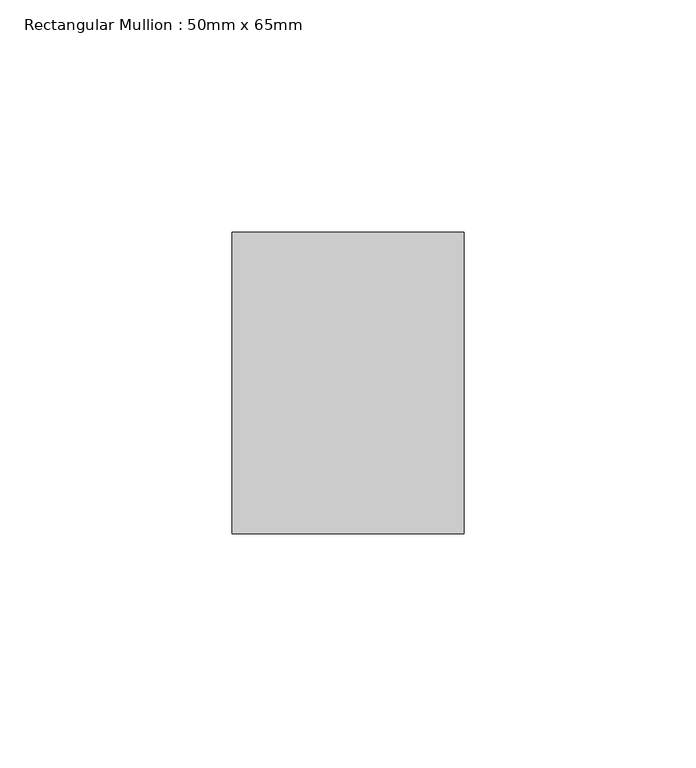
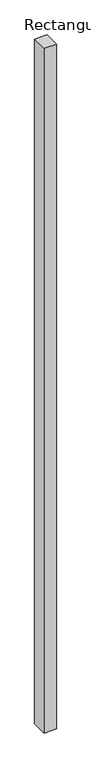
"""IFC4 building model written with IfcOpenShell, lengths in millimetres: member geometry, Rectangular Mullion : 50mm x 65mm."""

from ifc_helpers import new_model, si_unit, frame, origin, place, context, project, spatial, polyline, outline, extrude, source, transform, mapped, element, save


def rectangular_mullion_50mm_x_65mm_e26cdbf4(model_context):
    return source(origin(), model_context, "Body", "SweptSolid", [
        extrude(outline(polyline([(25.0, 32.5), (25.0, -32.5), (-25.0, -32.5), (-25.0, 32.5), (25.0, 32.5)])), frame((0.0, 0.0, -2924.9803762), z_axis=(0.0, 0.0, 1.0), x_axis=(1.0, 0.0, 0.0)), (0.0, 0.0, 1.0), 2924.9803762),
    ])


if __name__ == "__main__":
    model = new_model("IFC4")
    model_context = context("Model", 3, world=origin())
    ifc_project = project(units=[si_unit("LENGTHUNIT", "METRE", prefix="MILLI")], contexts=[model_context])
    site = spatial("IfcSite", under=ifc_project)
    building = spatial("IfcBuilding", under=site)
    placement = place(None, origin())
    rectangular_mullion_50mm_x_65mm_shape = rectangular_mullion_50mm_x_65mm_e26cdbf4(model_context)
    element("IfcMember", 1, ObjectType="Rectangular Mullion : 50mm x 65mm", at=placement, inside=building, context=model_context, shape_type="MappedRepresentation", body=[
        mapped(rectangular_mullion_50mm_x_65mm_shape, transform((0.0, 0.0, 0.0), x_axis=(1.0, 0.0, 0.0), y_axis=(0.0, 1.0, 0.0), z_axis=(0.0, 0.0, 1.0))),
    ])
    save(model, "model.ifc")
